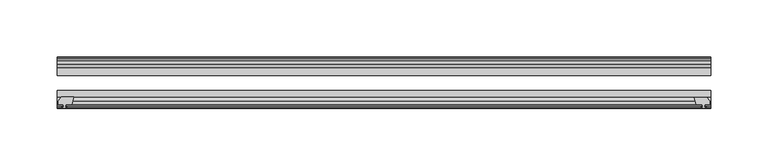
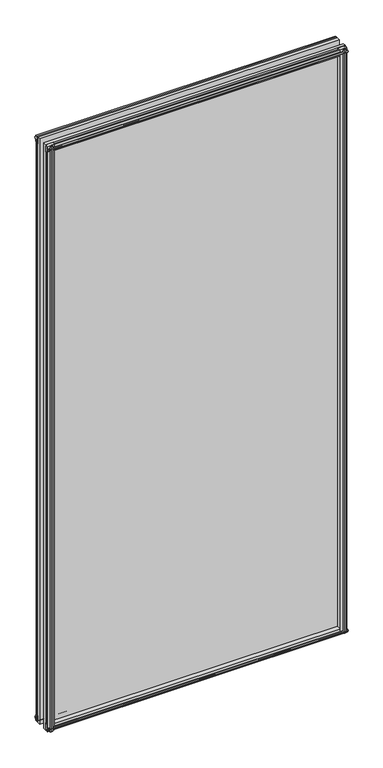
"""IFC4 building model written with IfcOpenShell, lengths in millimetres: plate geometry."""

from ifc_helpers import new_model, si_unit, frame, origin, place, context, project, spatial, polyline, outline, extrude, source, transform, mapped, element, save


def plate_24e0fc6e(model_context):
    return source(origin(), model_context, "Body", "SweptSolid", [
        extrude(outline(polyline([(-271.3322819, -83.1453125), (-273.05, -89.4953125), (-278.257, -89.4953125), (-278.638, -91.8755095), (-277.2224709, -91.4155762), (-277.2224709, -92.2167904), (-279.4, -92.9243125), (-281.577529, -92.2167904), (-281.577529, -91.4155762), (-280.162, -91.8755095), (-280.543, -89.4953125), (-284.988, -89.4953125), (-284.988, -86.5489125), (-282.1536578, -83.1453125), (-271.3322819, -83.1453125)])), frame((0.0, 0.0, -12.4587), z_axis=(0.0, 0.0, 1.0), x_axis=(1.0, 0.0, 0.0)), (0.0, 0.0, 1.0), 1180.6174777),
        extrude(outline(polyline([(271.3538926, -83.2252021), (282.1752685, -83.2252021), (285.0096107, -86.6288021), (285.0096107, -89.5752021), (280.5646107, -89.5752021), (280.1836107, -91.9553991), (281.5991397, -91.4954658), (281.5991397, -92.29668), (279.4216107, -93.0042021), (277.2440816, -92.29668), (277.2440816, -91.4954658), (278.6596107, -91.9553991), (278.2786107, -89.5752021), (273.0716107, -89.5752021), (271.3538926, -83.2252021)])), frame((0.0, 0.0, -9.0482291), z_axis=(0.0, 0.0, 1.0), x_axis=(1.0, 0.0, 0.0)), (0.0, 0.0, 1.0), 1177.2070068),
        extrude(outline(polyline([(-280.6827, -49.0151155), (-282.098229, -49.4750488), (-282.098229, -48.6738346), (-279.9207, -47.9663125), (-277.7431709, -48.6738346), (-277.7431709, -49.4750488), (-279.1587, -49.0151155), (-278.7777, -51.3953125), (-273.5707, -51.3953125), (-271.8529819, -57.7453125), (-282.6743578, -57.7453125), (-285.5087, -54.3417125), (-285.5087, -51.3953125), (-281.0637, -51.3953125), (-280.6827, -49.0151155)])), frame((0.0, 0.0, -12.4587), z_axis=(0.0, 0.0, 1.0), x_axis=(1.0, 0.0, 0.0)), (0.0, 0.0, 1.0), 1174.2674777),
        extrude(outline(polyline([(271.8529819, -57.7453125), (273.5707, -51.3953125), (278.7777, -51.3953125), (279.1587, -49.0151155), (277.7431709, -49.4750488), (277.7431709, -48.6738346), (279.9207, -47.9663125), (282.098229, -48.6738346), (282.098229, -49.4750488), (280.6827, -49.0151155), (281.0637, -51.3953125), (285.5087, -51.3953125), (285.5087, -54.3417125), (282.6743578, -57.7453125), (271.8529819, -57.7453125)])), frame((0.0, 0.0, -12.4587), z_axis=(0.0, 0.0, 1.0), x_axis=(1.0, 0.0, 0.0)), (0.0, 0.0, 1.0), 1174.2674777),
        extrude(outline(polyline([(-48.6738346, -4.6931709), (-47.9663125, -6.8707), (-48.6738346, -9.0482291), (-49.4750488, -9.0482291), (-49.0151155, -7.6327), (-51.3953125, -8.0137), (-51.3953125, -12.4587), (-54.3417125, -12.4587), (-57.7453125, -9.6243578), (-57.7453125, 1.1970181), (-51.3953125, -0.5207), (-51.3953125, -5.7277), (-49.0151155, -6.1087), (-49.4750488, -4.6931709), (-48.6738346, -4.6931709)])), frame((-285.75, 0.0, 0.0), z_axis=(1.0, 0.0, 0.0), x_axis=(0.0, 1.0, 0.0)), (0.0, 0.0, 1.0), 571.5),
        extrude(outline(polyline([(-83.1453125, 1.7177181), (-83.1453125, -9.1036578), (-86.5489125, -11.938), (-89.4953125, -11.938), (-89.4953125, -7.493), (-91.8755095, -7.112), (-91.4155762, -8.5275291), (-92.2167904, -8.5275291), (-92.9243125, -6.35), (-92.2167904, -4.1724709), (-91.4155762, -4.1724709), (-91.8755095, -5.588), (-89.4953125, -5.207), (-89.4953125, 0.0), (-83.1453125, 1.7177181)])), frame((-285.75, 0.0, 0.0), z_axis=(1.0, 0.0, 0.0), x_axis=(0.0, 1.0, 0.0)), (0.0, 0.0, 1.0), 571.5),
        extrude(outline(polyline([(-49.0151155, 1163.3327777), (-49.4750488, 1164.7483068), (-48.6738346, 1164.7483068), (-47.9663125, 1162.5707777), (-48.6738346, 1160.3932487), (-49.4750488, 1160.3932487), (-49.0151155, 1161.8087777), (-51.3953125, 1161.4277777), (-51.3953125, 1156.2207777), (-57.7453125, 1154.5030596), (-57.7453125, 1165.3244356), (-54.3417125, 1168.1587777), (-51.3953125, 1168.1587777), (-51.3953125, 1163.7137777), (-49.0151155, 1163.3327777)])), frame((-285.75, 0.0, 0.0), z_axis=(1.0, 0.0, 0.0), x_axis=(0.0, 1.0, 0.0)), (0.0, 0.0, 1.0), 571.5),
        extrude(outline(polyline([(-89.4953125, 1167.6380777), (-86.5489125, 1167.6380777), (-83.1453125, 1164.8037356), (-83.1453125, 1153.9823596), (-89.4953125, 1155.7000777), (-89.4953125, 1160.9070777), (-91.8755095, 1161.2880777), (-91.4155762, 1159.8725487), (-92.2167904, 1159.8725487), (-92.9243125, 1162.0500777), (-92.2167904, 1164.2276068), (-91.4155762, 1164.2276068), (-91.8755095, 1162.8120777), (-89.4953125, 1163.1930777), (-89.4953125, 1167.6380777)])), frame((-285.75, 0.0, 0.0), z_axis=(1.0, 0.0, 0.0), x_axis=(0.0, 1.0, 0.0)), (0.0, 0.0, 1.0), 571.5),
        extrude(outline(polyline([(-285.75, -57.7453125), (285.75, -57.7453125), (285.75, -64.0953125), (-285.75, -64.0953125), (-285.75, -57.7453125)])), frame((0.0, 0.0, -12.7), z_axis=(0.0, 0.0, 1.0), x_axis=(1.0, 0.0, 0.0)), (0.0, 0.0, 1.0), 1181.1000777),
        extrude(outline(polyline([(-285.75, -77.1178925), (285.75, -77.1178925), (285.75, -83.1453125), (-285.75, -83.1453125), (-285.75, -77.1178925)])), frame((0.0, 0.0, -12.7), z_axis=(0.0, 0.0, 1.0), x_axis=(1.0, 0.0, 0.0)), (0.0, 0.0, 1.0), 1181.1000777),
    ])


if __name__ == "__main__":
    model = new_model("IFC4")
    model_context = context("Model", 3, world=origin())
    ifc_project = project(units=[si_unit("LENGTHUNIT", "METRE", prefix="MILLI")], contexts=[model_context])
    site = spatial("IfcSite", under=ifc_project)
    building = spatial("IfcBuilding", under=site)
    placement = place(None, origin())
    plate_shape = plate_24e0fc6e(model_context)
    element("IfcPlate", 1, at=placement, inside=building, context=model_context, shape_type="MappedRepresentation", body=[
        mapped(plate_shape, transform((0.0, 0.0, 0.0), x_axis=(1.0, 0.0, 0.0), y_axis=(0.0, 1.0, 0.0), z_axis=(0.0, 0.0, 1.0))),
    ])
    save(model, "model.ifc")
